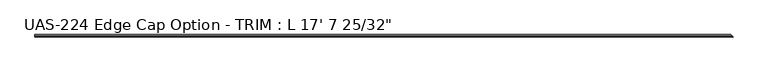
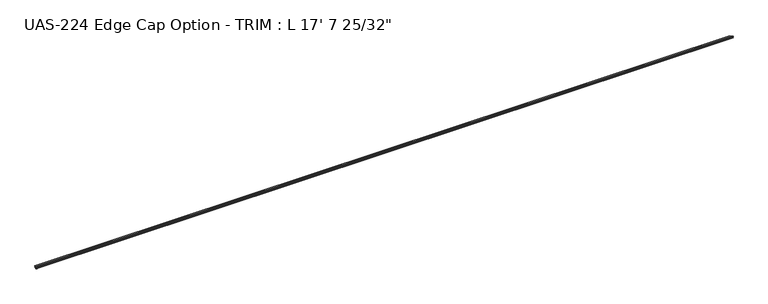
"""IFC4 building model written with IfcOpenShell, lengths in millimetres: proxy geometry."""

from ifc_helpers import new_model, si_unit, frame, origin, place, context, project, spatial, circle_curve, ellipse_curve, source, transform, mapped, element, save
from ifc_brep_helpers import plane_surface, cylinder_surface, advanced_brep


def proxy_6b795af0(model_context):
    return source(origin(), model_context, "Body", "AdvancedBrep", [
        advanced_brep(
        [(0.0, -9.83615, 14.2875), (0.0, 0.0, 14.2875), (0.0, 0.0, 13.0669574), (0.0, -0.5981599, 12.4687975), (0.0, -1.3929204, 12.4687975), (0.0, -2.1509032, 12.7297919), (0.0, -2.9088859, 12.4687975), (0.0, -3.6668687, 12.7297919), (0.0, -4.4248515, 12.4687975), (0.0, -5.1828342, 12.7297919), (0.0, -5.940817, 12.4687975), (0.0, -6.798801, 12.7297919), (0.0, -7.5567838, 12.4687975), (0.0, -8.316831, 12.7), (0.0, -10.66165, 12.7), (0.0, -10.66165, 9.525), (0.0, -10.9168139, 8.6861831), (0.0, -10.9168139, 7.1888169), (0.0, -10.66165, 6.35), (0.0, -10.66165, 3.175), (0.0, -8.316831, 3.175), (0.0, -7.5567838, 3.4062025), (0.0, -6.798801, 3.1452081), (0.0, -5.940817, 3.4062025), (0.0, -5.1828342, 3.1452081), (0.0, -4.4248515, 3.4062025), (0.0, -3.6668687, 3.1452081), (0.0, -2.9088859, 3.4062025), (0.0, -2.1509032, 3.1452081), (0.0, -1.3929204, 3.4062025), (0.0, -0.5981599, 3.4062025), (0.0, 0.0, 2.8080426), (0.0, 0.0, 1.5875), (0.0, -9.83615, 1.5875), (0.0, -13.01115, 1.5875), (0.0, -17.4398781, 1.5875), (0.0, -17.4398781, 3.175), (0.0, -12.18565, 3.175), (0.0, -12.18565, 12.7), (0.0, -17.4398781, 12.7), (0.0, -17.4398781, 14.2875), (0.0, -13.01115, 14.2875), (5371.6400219, -9.83615, 14.2875), (5361.8038719, 0.0, 14.2875), (5361.8038719, 0.0, 13.0669574), (5362.4020318, -0.5981599, 12.4687975), (5363.1967923, -1.3929204, 12.4687975), (5363.954775, -2.1509032, 12.7297919), (5364.7127578, -2.9088859, 12.4687975), (5365.4707406, -3.6668687, 12.7297919), (5366.2287233, -4.4248515, 12.4687975), (5366.9867061, -5.1828342, 12.7297919), (5367.7446889, -5.940817, 12.4687975), (5368.6026729, -6.798801, 12.7297919), (5369.3606557, -7.5567838, 12.4687975), (5370.1207029, -8.316831, 12.7), (5372.4655219, -10.66165, 12.7), (5372.4655219, -10.66165, 9.525), (5372.7206857, -10.9168139, 8.6861831), (5372.7206857, -10.9168139, 7.1888169), (5372.4655219, -10.66165, 6.35), (5372.4655219, -10.66165, 3.175), (5370.1207029, -8.316831, 3.175), (5369.3606557, -7.5567838, 3.4062025), (5368.6026729, -6.798801, 3.1452081), (5367.7446889, -5.940817, 3.4062025), (5366.9867061, -5.1828342, 3.1452081), (5366.2287233, -4.4248515, 3.4062025), (5365.4707406, -3.6668687, 3.1452081), (5364.7127578, -2.9088859, 3.4062025), (5363.954775, -2.1509032, 3.1452081), (5363.1967923, -1.3929204, 3.4062025), (5362.4020318, -0.5981599, 3.4062025), (5361.8038719, 0.0, 2.8080426), (5361.8038719, 0.0, 1.5875), (5371.6400219, -9.83615, 1.5875), (5373.2275219, -11.42365, 0.0), (5374.8150219, -13.01115, 1.5875), (5379.24375, -17.4398781, 1.5875), (5379.24375, -17.4398781, 3.175), (5373.9895219, -12.18565, 3.175), (5373.9895219, -12.18565, 12.7), (5379.24375, -17.4398781, 12.7), (5379.24375, -17.4398781, 14.2875), (5374.8150219, -13.01115, 14.2875)],
        [
            (0, 1),
            (1, 2),
            (2, 3, circle_curve(frame((0.0, -0.5981599, 13.0669574), z_axis=(-1.0, 0.0, 0.0), x_axis=(0.0, -1.0, 0.0)), 0.5981599)),
            (3, 4),
            (4, 5),
            (5, 6),
            (6, 7),
            (7, 8),
            (8, 9),
            (9, 10),
            (10, 11),
            (11, 12),
            (12, 13),
            (13, 14),
            (14, 15),
            (15, 16),
            (16, 17),
            (17, 18),
            (18, 19),
            (19, 20),
            (20, 21),
            (21, 22),
            (22, 23),
            (23, 24),
            (24, 25),
            (25, 26),
            (26, 27),
            (27, 28),
            (28, 29),
            (29, 30),
            (30, 31, circle_curve(frame((0.0, -0.5981599, 2.8080426), z_axis=(-1.0, 0.0, 0.0), x_axis=(0.0, -1.0, 0.0)), 0.5981599)),
            (31, 32),
            (32, 33),
            (33, 34, circle_curve(frame((0.0, -11.42365, 1.5875), z_axis=(-1.0, 0.0, 0.0), x_axis=(0.0, -1.0, 0.0)), 1.5875)),
            (34, 35),
            (35, 36),
            (36, 37),
            (37, 38),
            (38, 39),
            (39, 40),
            (40, 41),
            (41, 0, circle_curve(frame((0.0, -11.42365, 14.2875), z_axis=(-1.0, 0.0, 0.0), x_axis=(0.0, -1.0, 0.0)), 1.5875)),
            (0, 42),
            (42, 43),
            (43, 1),
            (43, 44),
            (44, 2),
            (44, 45, ellipse_curve(frame((5362.4020318, -0.5981599, 13.0669574), z_axis=(-0.707106781186549, -0.7071067811865461, 0.0), x_axis=(0.7071067811865459, -0.707106781186549, 0.0)), 0.8459259, 0.5981599)),
            (45, 3),
            (45, 46),
            (46, 4),
            (46, 47),
            (47, 5),
            (47, 48),
            (48, 6),
            (48, 49),
            (49, 7),
            (49, 50),
            (50, 8),
            (50, 51),
            (51, 9),
            (51, 52),
            (52, 10),
            (52, 53),
            (53, 11),
            (53, 54),
            (54, 12),
            (54, 55),
            (55, 13),
            (55, 56),
            (56, 14),
            (56, 57),
            (57, 15),
            (57, 58),
            (58, 16),
            (58, 59),
            (59, 17),
            (59, 60),
            (60, 18),
            (60, 61),
            (61, 19),
            (61, 62),
            (62, 20),
            (62, 63),
            (63, 21),
            (63, 64),
            (64, 22),
            (64, 65),
            (65, 23),
            (65, 66),
            (66, 24),
            (66, 67),
            (67, 25),
            (67, 68),
            (68, 26),
            (68, 69),
            (69, 27),
            (69, 70),
            (70, 28),
            (70, 71),
            (71, 29),
            (71, 72),
            (72, 30),
            (72, 73, ellipse_curve(frame((5362.4020318, -0.5981599, 2.8080426), z_axis=(-0.707106781186549, -0.7071067811865461, 0.0), x_axis=(0.7071067811865459, -0.707106781186549, 0.0)), 0.8459259, 0.5981599)),
            (73, 31),
            (73, 74),
            (74, 32),
            (74, 75),
            (75, 33),
            (75, 76, ellipse_curve(frame((5373.2275219, -11.42365, 1.5875), z_axis=(-0.707106781186549, -0.7071067811865461, 0.0), x_axis=(0.7071067811865459, -0.707106781186549, 0.0)), 2.245064, 1.5875)),
            (76, 77, ellipse_curve(frame((5373.2275219, -11.42365, 1.5875), z_axis=(-0.707106781186549, -0.7071067811865461, 0.0), x_axis=(0.7071067811865459, -0.707106781186549, 0.0)), 2.245064, 1.5875)),
            (77, 34),
            (77, 78),
            (78, 35),
            (78, 79),
            (79, 36),
            (79, 80),
            (80, 37),
            (80, 81),
            (81, 38),
            (81, 82),
            (82, 39),
            (82, 83),
            (83, 40),
            (83, 84),
            (84, 41),
            (84, 42, ellipse_curve(frame((5373.2275219, -11.42365, 14.2875), z_axis=(-0.707106781186549, -0.7071067811865461, 0.0), x_axis=(0.7071067811865459, -0.707106781186549, 0.0)), 2.245064, 1.5875)),
        ],
        [
            plane_surface(frame((0.0, -13.01115, 14.2875), z_axis=(-1.0, 0.0, 0.0), x_axis=(0.0, 0.0, 1.0))),
            plane_surface(frame((5379.24375, 0.0, 14.2875), z_axis=(0.0, -1.1740124689071009e-12, 1.0), x_axis=(-1.0, 0.0, 0.0))),
            plane_surface(frame((5379.24375, 0.0, 13.0669574), z_axis=(0.0, 1.0, 0.0), x_axis=(-1.0, 0.0, 0.0))),
            cylinder_surface(frame((0.0, -0.5981599, 13.0669574), z_axis=(1.0, 0.0, 0.0), x_axis=(0.0, -1.0, 0.0)), 0.5981599),
            plane_surface(frame((5379.24375, -1.3929204, 12.4687975), z_axis=(0.0, 0.0, -1.0), x_axis=(-1.0, 0.0, 0.0))),
            plane_surface(frame((5379.24375, -2.1509032, 12.7297919), z_axis=(0.0, -0.32556815445715337, -0.945518575599318), x_axis=(-1.0, 0.0, 0.0))),
            plane_surface(frame((5379.24375, -2.9088859, 12.4687975), z_axis=(0.0, 0.3255681544571601, -0.9455185755993156), x_axis=(-1.0, 0.0, 0.0))),
            plane_surface(frame((5379.24375, -3.6668687, 12.7297919), z_axis=(0.0, -0.3255681544571535, -0.945518575599318), x_axis=(-1.0, 0.0, 0.0))),
            plane_surface(frame((5379.24375, -4.4248515, 12.4687975), z_axis=(0.0, 0.3255681544571602, -0.9455185755993156), x_axis=(-1.0, 0.0, 0.0))),
            plane_surface(frame((5379.24375, -5.1828342, 12.7297919), z_axis=(0.0, -0.32556815445715653, -0.945518575599317), x_axis=(-1.0, 0.0, 0.0))),
            plane_surface(frame((5379.24375, -5.940817, 12.4687975), z_axis=(0.0, 0.32556815445716, -0.9455185755993156), x_axis=(-1.0, 0.0, 0.0))),
            plane_surface(frame((5379.24375, -6.798801, 12.7297919), z_axis=(0.0, -0.29102774283877636, -0.9567146141343128), x_axis=(-1.0, 0.0, 0.0))),
            plane_surface(frame((5379.24375, -7.5567838, 12.4687975), z_axis=(0.0, 0.32556815445716, -0.9455185755993156), x_axis=(-1.0, 0.0, 0.0))),
            plane_surface(frame((5379.24375, -8.316831, 12.7), z_axis=(0.0, -0.2910277428387799, -0.9567146141343118), x_axis=(-1.0, 0.0, 0.0))),
            plane_surface(frame((5379.24375, -10.66165, 12.7), z_axis=(0.0, 0.0, -1.0), x_axis=(-1.0, 0.0, 0.0))),
            plane_surface(frame((5379.24375, -10.66165, 9.525), z_axis=(0.0, 1.0, 0.0), x_axis=(-1.0, 0.0, 0.0))),
            plane_surface(frame((5379.24375, -10.9168139, 8.6861831), z_axis=(0.0, 0.9567146141343112, -0.2910277428387818), x_axis=(-1.0, 0.0, 0.0))),
            plane_surface(frame((5379.24375, -10.9168139, 7.1888169), z_axis=(0.0, 1.0, 0.0), x_axis=(-1.0, 0.0, 0.0))),
            plane_surface(frame((5379.24375, -10.66165, 6.35), z_axis=(0.0, 0.9567146141343096, 0.29102774283878713), x_axis=(-1.0, 0.0, 0.0))),
            plane_surface(frame((5379.24375, -10.66165, 3.175), z_axis=(0.0, 1.0, 0.0), x_axis=(-1.0, 0.0, 0.0))),
            plane_surface(frame((5379.24375, -8.316831, 3.175), z_axis=(0.0, 0.0, 1.0), x_axis=(-1.0, 0.0, 0.0))),
            plane_surface(frame((5379.24375, -7.5567838, 3.4062025), z_axis=(0.0, -0.2910277428387864, 0.9567146141343098), x_axis=(-1.0, 0.0, 0.0))),
            plane_surface(frame((5379.24375, -6.798801, 3.1452081), z_axis=(0.0, 0.32556815445715465, 0.9455185755993175), x_axis=(-1.0, 0.0, 0.0))),
            plane_surface(frame((5379.24375, -5.940817, 3.4062025), z_axis=(0.0, -0.29102774283878274, 0.956714614134311), x_axis=(-1.0, 0.0, 0.0))),
            plane_surface(frame((5379.24375, -5.1828342, 3.1452081), z_axis=(0.0, 0.32556815445715365, 0.9455185755993178), x_axis=(-1.0, 0.0, 0.0))),
            plane_surface(frame((5379.24375, -4.4248515, 3.4062025), z_axis=(0.0, -0.3255681544571627, 0.9455185755993147), x_axis=(-1.0, 0.0, 0.0))),
            plane_surface(frame((5379.24375, -3.6668687, 3.1452081), z_axis=(0.0, 0.32556815445715365, 0.945518575599318), x_axis=(-1.0, 0.0, 0.0))),
            plane_surface(frame((5379.24375, -2.9088859, 3.4062025), z_axis=(0.0, -0.32556815445715964, 0.9455185755993158), x_axis=(-1.0, 0.0, 0.0))),
            plane_surface(frame((5379.24375, -2.1509032, 3.1452081), z_axis=(0.0, 0.32556815445715426, 0.9455185755993176), x_axis=(-1.0, 0.0, 0.0))),
            plane_surface(frame((5379.24375, -1.3929204, 3.4062025), z_axis=(0.0, -0.3255681544571603, 0.9455185755993156), x_axis=(-1.0, 0.0, 0.0))),
            plane_surface(frame((5379.24375, -0.5981599, 3.4062025), z_axis=(0.0, 0.0, 1.0), x_axis=(-1.0, 0.0, 0.0))),
            cylinder_surface(frame((0.0, -0.5981599, 2.8080426), z_axis=(1.0, 0.0, 0.0), x_axis=(0.0, -1.0, 0.0)), 0.5981599),
            plane_surface(frame((5379.24375, 0.0, 1.5875), z_axis=(0.0, 1.0, 0.0), x_axis=(-1.0, 0.0, 0.0))),
            plane_surface(frame((5379.24375, -9.83615, 1.5875), z_axis=(0.0, 0.0, -1.0), x_axis=(-1.0, 0.0, 0.0))),
            cylinder_surface(frame((0.0, -11.42365, 1.5875), z_axis=(1.0, 0.0, 0.0), x_axis=(0.0, -1.0, 0.0)), 1.5875),
            plane_surface(frame((5379.24375, -17.4398781, 1.5875), z_axis=(0.0, 0.0, -1.0), x_axis=(-1.0, 0.0, 0.0))),
            plane_surface(frame((5379.24375, -17.4398781, 3.175), z_axis=(0.0, -1.0, 0.0), x_axis=(-1.0, 0.0, 0.0))),
            plane_surface(frame((5379.24375, -12.18565, 3.175), z_axis=(0.0, 0.0, 1.0), x_axis=(-1.0, 0.0, 0.0))),
            plane_surface(frame((5379.24375, -12.18565, 12.7), z_axis=(0.0, -1.0, 0.0), x_axis=(-1.0, 0.0, 0.0))),
            plane_surface(frame((5379.24375, -17.4398781, 12.7), z_axis=(0.0, 0.0, -1.0), x_axis=(-1.0, 0.0, 0.0))),
            plane_surface(frame((5379.24375, -17.4398781, 14.2875), z_axis=(0.0, -1.0, 0.0), x_axis=(-1.0, 0.0, 0.0))),
            plane_surface(frame((5379.24375, -13.01115, 14.2875), z_axis=(0.0, 0.0, 1.0), x_axis=(-1.0, 0.0, 0.0))),
            cylinder_surface(frame((0.0, -11.42365, 14.2875), z_axis=(1.0, 0.0, 0.0), x_axis=(0.0, -1.0, 0.0)), 1.5875),
            plane_surface(frame((5361.8038719, 0.0, 15.959544), z_axis=(0.707106781186549, 0.7071067811865461, 0.0), x_axis=(0.0, 0.0, -1.0))),
        ],
        [
            (0, [[1, 2, 3, 4, 5, 6, 7, 8, 9, 10, 11, 12, 13, 14, 15, 16, 17, 18, 19, 20, 21, 22, 23, 24, 25, 26, 27, 28, 29, 30, 31, 32, 33, 34, 35, 36, 37, 38, 39, 40, 41, 42]]),
            (1, [[-1, 43, 44, 45]]),
            (2, [[-2, -45, 46, 47]]),
            (3, [[-3, -47, 48, 49]]),
            (4, [[-4, -49, 50, 51]]),
            (5, [[-5, -51, 52, 53]]),
            (6, [[-6, -53, 54, 55]]),
            (7, [[-7, -55, 56, 57]]),
            (8, [[-8, -57, 58, 59]]),
            (9, [[-9, -59, 60, 61]]),
            (10, [[-10, -61, 62, 63]]),
            (11, [[-11, -63, 64, 65]]),
            (12, [[-12, -65, 66, 67]]),
            (13, [[-13, -67, 68, 69]]),
            (14, [[-14, -69, 70, 71]]),
            (15, [[-15, -71, 72, 73]]),
            (16, [[-16, -73, 74, 75]]),
            (17, [[-17, -75, 76, 77]]),
            (18, [[-18, -77, 78, 79]]),
            (19, [[-19, -79, 80, 81]]),
            (20, [[-20, -81, 82, 83]]),
            (21, [[-21, -83, 84, 85]]),
            (22, [[-22, -85, 86, 87]]),
            (23, [[-23, -87, 88, 89]]),
            (24, [[-24, -89, 90, 91]]),
            (25, [[-25, -91, 92, 93]]),
            (26, [[-26, -93, 94, 95]]),
            (27, [[-27, -95, 96, 97]]),
            (28, [[-28, -97, 98, 99]]),
            (29, [[-29, -99, 100, 101]]),
            (30, [[-30, -101, 102, 103]]),
            (31, [[-31, -103, 104, 105]]),
            (32, [[-32, -105, 106, 107]]),
            (33, [[-33, -107, 108, 109]]),
            (34, [[-34, -109, 110, 111, 112]]),
            (35, [[-35, -112, 113, 114]]),
            (36, [[-36, -114, 115, 116]]),
            (37, [[-37, -116, 117, 118]]),
            (38, [[-38, -118, 119, 120]]),
            (39, [[-39, -120, 121, 122]]),
            (40, [[-40, -122, 123, 124]]),
            (41, [[-41, -124, 125, 126]]),
            (42, [[-42, -126, 127, -43]]),
            (43, [[-44, -127, -125, -123, -121, -119, -117, -115, -113, -111, -110, -108, -106, -104, -102, -100, -98, -96, -94, -92, -90, -88, -86, -84, -82, -80, -78, -76, -74, -72, -70, -68, -66, -64, -62, -60, -58, -56, -54, -52, -50, -48, -46]]),
        ],
    ),
    ])


if __name__ == "__main__":
    model = new_model("IFC4")
    model_context = context("Model", 3, world=origin())
    ifc_project = project(units=[si_unit("LENGTHUNIT", "METRE", prefix="MILLI")], contexts=[model_context])
    site = spatial("IfcSite", under=ifc_project)
    building = spatial("IfcBuilding", under=site)
    placement = place(None, origin())
    proxy_shape = proxy_6b795af0(model_context)
    element("IfcBuildingElementProxy", 1, Name="UAS-224 Edge Cap Option - TRIM : L 17' 7 25/32\"", ObjectType="UAS-224 Edge Cap Option - TRIM : L 17' 7 25/32\"", at=placement, inside=building, context=model_context, shape_type="MappedRepresentation", body=[
        mapped(proxy_shape, transform((0.0, 0.0, 0.0), x_axis=(1.0, 0.0, 0.0), y_axis=(0.0, 1.0, 0.0), z_axis=(0.0, 0.0, 1.0))),
    ])
    save(model, "model.ifc")
